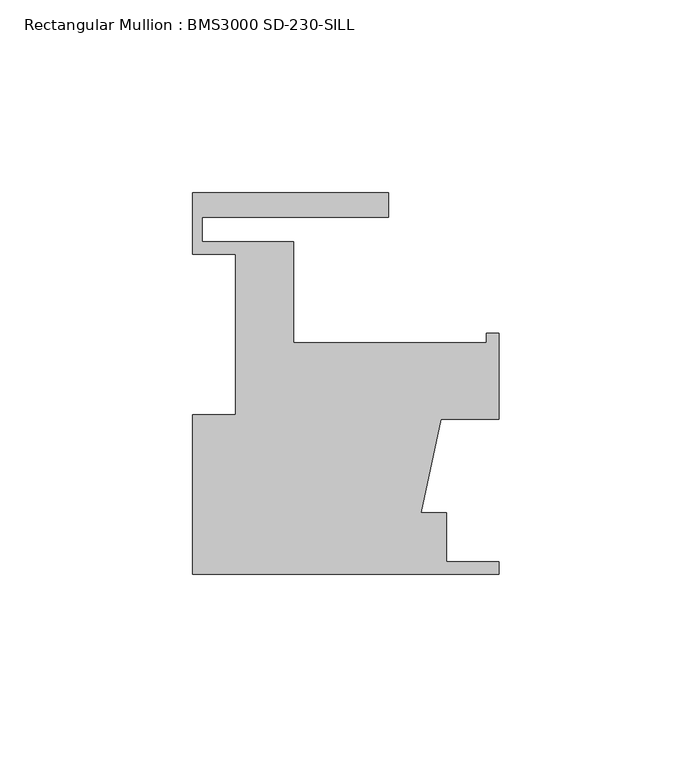
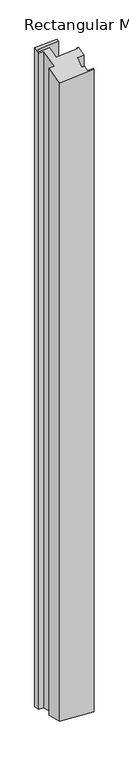
"""IFC4 building model written with IfcOpenShell, lengths in millimetres: member geometry, Rectangular Mullion : BMS3000 SD-230-SILL."""

import ifcopenshell
import ifcopenshell.guid

model = None  # the IFC model being written
_history = None  # IfcOwnerHistory: only IFC2X3 demands one
_inside = {}  # id of a spatial element -> (the spatial element, [elements in it])
_under = {}  # id of a project, library or spatial element -> (it, [spatial elements below it])
_declared = {}  # id of a project -> (the project, [libraries it declares])
_typed = {}  # id of a type object -> (the type object, [elements of that type])
_made_of = {}  # id of a material, layer set ... -> (it, [elements and type objects made of it])


def new_model(schema):
    """Start an empty IFC model of exactly this schema.

    Asked for "IFC4X3", IfcOpenShell would pick the latest addendum, in which some entities
    have other attributes; the version numbers below select the first issue.
    IFC2X3 requires an IfcOwnerHistory on every rooted entity: one is made here for all.
    """
    global model, _history
    if schema == "IFC4X3":
        model = ifcopenshell.file(schema_version=(4, 3, 0, 0))
    else:
        model = ifcopenshell.file(schema=schema)
    _inside.clear()
    _under.clear()
    _declared.clear()
    _typed.clear()
    _made_of.clear()
    _history = None
    if model.schema == "IFC2X3":
        org = make("IfcOrganization", Name="unknown")
        user = make(
            "IfcPersonAndOrganization",
            ThePerson=make("IfcPerson", FamilyName="unknown"),
            TheOrganization=org,
        )
        app = make(
            "IfcApplication",
            ApplicationDeveloper=org,
            Version="unknown",
            ApplicationFullName="unknown",
            ApplicationIdentifier="unknown",
        )
        _history = make(
            "IfcOwnerHistory",
            OwningUser=user,
            OwningApplication=app,
            ChangeAction="ADDED",
            CreationDate=0,
        )
    return model


def make(cls, **values):
    """One entity of the class cls with the attributes given. An attribute that is None is left unset."""
    return model.create_entity(
        cls, **{name: value for name, value in values.items() if value is not None}
    )


def rooted(cls, **values):
    """An entity with a GlobalId (a new one), such as an element, a storey or a relation."""
    return make(cls, GlobalId=ifcopenshell.guid.new(), OwnerHistory=_history, **values)


def si_unit(unit_type, name, prefix=None):
    """IfcSIUnit, for example si_unit("LENGTHUNIT", "METRE", prefix="MILLI")."""
    return make("IfcSIUnit", UnitType=unit_type, Prefix=prefix, Name=name)


def assignment(units):
    """IfcUnitAssignment: the units of a project."""
    return None if units is None else make("IfcUnitAssignment", Units=units)


def point(xyz):
    """IfcCartesianPoint."""
    return None if xyz is None else make("IfcCartesianPoint", Coordinates=xyz)


def direction(xyz):
    """IfcDirection."""
    return None if xyz is None else make("IfcDirection", DirectionRatios=xyz)


def frame(location, z_axis=None, x_axis=None):
    """IfcAxis2Placement3D, a coordinate frame: its origin and axes. An axis left out is left unset."""
    return make(
        "IfcAxis2Placement3D",
        Location=point(location),
        Axis=direction(z_axis),
        RefDirection=direction(x_axis),
    )


def origin():
    """The frame at (0, 0, 0) with its axes left unset."""
    return frame((0.0, 0.0, 0.0))


def place(relative_to, where):
    """IfcLocalPlacement: puts the frame where relative to a parent placement (None: the world)."""
    return make(
        "IfcLocalPlacement", PlacementRelTo=relative_to, RelativePlacement=where
    )


def context(
    kind, dimensions, precision=None, world=None, true_north=None, identifier=None
):
    """IfcGeometricRepresentationContext, for example the 3D "Model" context."""
    return make(
        "IfcGeometricRepresentationContext",
        ContextIdentifier=identifier,
        ContextType=kind,
        CoordinateSpaceDimension=dimensions,
        Precision=precision,
        WorldCoordinateSystem=world,
        TrueNorth=true_north,
    )


def project(units=None, contexts=None):
    """IfcProject with its units and contexts."""
    return rooted(
        "IfcProject",
        Name="project",
        RepresentationContexts=contexts,
        UnitsInContext=assignment(units),
    )


def spatial(cls, under=None, at=None, **own):
    """A site, building, storey or space (cls), placed at a placement, below another one or the project."""
    s = rooted(cls, ObjectPlacement=at, **own)
    if under is not None:
        _under.setdefault(under.id(), (under, []))[1].append(s)
    return s


def faces_of(points, faces, orient=None, outer=None):
    """IfcFace entities. A face is a list of loops; a loop is a list of indices into points, from 0.

    orient and outer hold one flag for each loop. By default every Orientation is true, the
    first loop of a face is its IfcFaceOuterBound and the others are IfcFaceBound.
    """
    made = []
    for i, loops in enumerate(faces):
        bounds = []
        for j, loop in enumerate(loops):
            is_outer = j == 0 if outer is None else outer[i][j]
            bounds.append(
                make(
                    "IfcFaceOuterBound" if is_outer else "IfcFaceBound",
                    Bound=make("IfcPolyLoop", Polygon=[points[k] for k in loop]),
                    Orientation=True if orient is None else orient[i][j],
                )
            )
        made.append(make("IfcFace", Bounds=bounds))
    return made


def faceted_brep(points, faces, orient=None, outer=None, voids=None):
    """IfcFacetedBrep: a solid bounded by flat faces; with voids (closed shells), ...WithVoids."""
    shared = [point(p) for p in points]
    hull = make("IfcClosedShell", CfsFaces=faces_of(shared, faces, orient, outer))
    if voids is None:
        return make("IfcFacetedBrep", Outer=hull)
    return make(
        "IfcFacetedBrepWithVoids",
        Outer=hull,
        Voids=[
            make(cls, CfsFaces=faces_of(shared, fs, o, b)) for cls, fs, o, b in voids
        ],
    )


def shape(context_of_items, identifier, shape_type, items):
    """IfcShapeRepresentation: the items that make up one representation, for example the "Body"."""
    return make(
        "IfcShapeRepresentation",
        ContextOfItems=context_of_items,
        RepresentationIdentifier=identifier,
        RepresentationType=shape_type,
        Items=items,
    )


def source(mapping_origin, context_of_items, identifier, shape_type, items):
    """IfcRepresentationMap: a shape defined once, which mapped items show again and again."""
    return make(
        "IfcRepresentationMap",
        MappingOrigin=mapping_origin,
        MappedRepresentation=shape(context_of_items, identifier, shape_type, items),
    )


def transform(
    local_origin,
    x_axis=None,
    y_axis=None,
    z_axis=None,
    scale=None,
    scale2=None,
    scale3=None,
    uniform=True,
):
    """IfcCartesianTransformationOperator3D, or its non-uniform kind. x_axis, y_axis, z_axis: its Axis1, 2, 3."""
    if uniform:
        return make(
            "IfcCartesianTransformationOperator3D",
            Axis1=direction(x_axis),
            Axis2=direction(y_axis),
            LocalOrigin=point(local_origin),
            Scale=scale,
            Axis3=direction(z_axis),
        )
    return make(
        "IfcCartesianTransformationOperator3DnonUniform",
        Axis1=direction(x_axis),
        Axis2=direction(y_axis),
        LocalOrigin=point(local_origin),
        Scale=scale,
        Axis3=direction(z_axis),
        Scale2=scale2,
        Scale3=scale3,
    )


def mapped(mapping_source, mapping_target):
    """IfcMappedItem: shows the shape of a source again, moved by a transform."""
    return make(
        "IfcMappedItem", MappingSource=mapping_source, MappingTarget=mapping_target
    )


def made_of(thing, what):
    """Note that an element or type object is made of a material, layer set ...; save() writes the relation."""
    if what is not None:
        _made_of.setdefault(what.id(), (what, []))[1].append(thing)
    return thing


def element(
    cls,
    number,
    at=None,
    inside=None,
    cuts=None,
    type_object=None,
    material=None,
    context=None,
    identifier="Body",
    shape_type=None,
    held_by="IfcProductDefinitionShape",
    body=None,
    shapes=None,
    **own,
):
    """One element of the class cls, such as IfcWall. Its Tag is "e" and its number.

    at: its placement. inside: the storey or other place that contains it. cuts: it is an
    opening in that element (IfcRelVoidsElement). A single representation is given by context,
    identifier, shape_type and body (its items); several are given by shapes. held_by: the class
    of the entity that holds the representations. save() writes the other relations.
    """
    e = rooted(cls, Tag="e%d" % number, ObjectPlacement=at, **own)
    if body is not None:
        shapes = [shape(context, identifier, shape_type, body)]
    if shapes is not None:
        e.Representation = make(held_by, Representations=shapes)
    if inside is not None:
        _inside.setdefault(inside.id(), (inside, []))[1].append(e)
    if cuts is not None:
        rooted(
            "IfcRelVoidsElement", RelatingBuildingElement=cuts, RelatedOpeningElement=e
        )
    if type_object is not None:
        _typed.setdefault(type_object.id(), (type_object, []))[1].append(e)
    return made_of(e, material)


def aggregate(whole, parts):
    """IfcRelAggregates: a whole, such as a stair, and the parts it consists of."""
    return rooted("IfcRelAggregates", RelatingObject=whole, RelatedObjects=parts)


def save(model, path):
    """Write the relations noted so far, then the file.

    IfcRelAggregates (storeys below a building ...), IfcRelContainedInSpatialStructure (elements
    in a storey), IfcRelDefinesByType, IfcRelAssociatesMaterial and IfcRelDeclares: one each for
    every whole, place, type object, material and project.
    """
    for whole, parts in _under.values():
        aggregate(whole, parts)
    for where, things in _inside.values():
        rooted(
            "IfcRelContainedInSpatialStructure",
            RelatedElements=things,
            RelatingStructure=where,
        )
    for kind, things in _typed.values():
        rooted("IfcRelDefinesByType", RelatedObjects=things, RelatingType=kind)
    for what, things in _made_of.values():
        rooted("IfcRelAssociatesMaterial", RelatedObjects=things, RelatingMaterial=what)
    for by, libraries in _declared.values():
        rooted("IfcRelDeclares", RelatingContext=by, RelatedDefinitions=libraries)
    model.write(path)


def rectangular_mullion_bms3000_sd_230_sill_506cbcf5(model_context):
    return source(origin(), model_context, "Body", "Brep", [
        faceted_brep([(0.0, -41.3742187, -10.7325429), (-79.375, -41.3742187, -16.0616298), (-79.375, -41.3742187, -1561.6992692), (0.0, -41.3742187, -1567.028356), (0.0, -38.1992187, -9.9089425), (0.0, -38.1992187, -1567.8519564), (-13.589, -38.1992187, -10.8212822), (-13.589, -38.1992187, -1566.9396168), (-13.589, -25.4992187, -7.5268805), (-13.589, -25.4992187, -1570.2340184), (-20.2104736, -25.4992187, -7.9714337), (-20.2104736, -25.4992187, -1569.7894653), (-15.0490902, -1.2168187, -1.3260122), (-15.0490902, -1.2168187, -1576.4348867), (0.0, -1.2168187, -0.3156449), (0.0, -1.2168187, -1577.4452541), (0.0, 21.0081813, 5.4495581), (0.0, 21.0081813, -1583.210457), (-3.175, 21.0081813, 5.2363946), (-3.175, 21.0081813, -1582.9972935), (-3.175, 18.6205813, 4.6170471), (-3.175, 18.6205813, -1582.377946), (-53.1876, 18.6205813, 1.259296), (-53.1876, 18.6205813, -1579.020195), (-53.1876, 44.7063813, 8.0259971), (-53.1876, 44.7063813, -1585.786896), (-76.9874, 44.7063813, 6.4281237), (-76.9874, 44.7063813, -1584.1890226), (-76.9874, 51.0563813, 8.0753245), (-76.9874, 51.0563813, -1585.8362234), (-28.575, 51.0563813, 11.3256411), (-28.575, 51.0563813, -1589.0865401), (-28.575, 57.4063813, 12.972842), (-28.575, 57.4063813, -1590.7337409), (-79.375, 57.4063813, 9.5622264), (-79.375, 57.4063813, -1587.3231253), (-79.375, 41.5313813, 5.4442243), (-79.375, 41.5313813, -1583.2051233), (-68.2498, 41.5313813, 6.1911491), (-68.2498, 41.5313813, -1583.9520481), (-68.2498, -0.0992187, -4.6078995), (-68.2498, -0.0992187, -1573.1529994), (-79.375, -0.0992187, -5.3548243), (-79.375, -0.0992187, -1572.4060746)], [[[0, 1, 2, 3]], [[4, 0, 3, 5]], [[6, 4, 5, 7]], [[8, 6, 7, 9]], [[10, 8, 9, 11]], [[12, 10, 11, 13]], [[14, 12, 13, 15]], [[16, 14, 15, 17]], [[18, 16, 17, 19]], [[20, 18, 19, 21]], [[22, 20, 21, 23]], [[24, 22, 23, 25]], [[26, 24, 25, 27]], [[28, 26, 27, 29]], [[30, 28, 29, 31]], [[32, 30, 31, 33]], [[34, 32, 33, 35]], [[36, 34, 35, 37]], [[38, 36, 37, 39]], [[40, 38, 39, 41]], [[42, 40, 41, 43]], [[1, 42, 43, 2]], [[1, 0, 4, 6, 8, 10, 12, 14, 16, 18, 20, 22, 24, 26, 28, 30, 32, 34, 36, 38, 40, 42]], [[2, 43, 41, 39, 37, 35, 33, 31, 29, 27, 25, 23, 21, 19, 17, 15, 13, 11, 9, 7, 5, 3]]]),
    ])


if __name__ == "__main__":
    model = new_model("IFC4")
    model_context = context("Model", 3, world=origin())
    ifc_project = project(units=[si_unit("LENGTHUNIT", "METRE", prefix="MILLI")], contexts=[model_context])
    site = spatial("IfcSite", under=ifc_project)
    building = spatial("IfcBuilding", under=site)
    placement = place(None, origin())
    rectangular_mullion_bms3000_sd_230_sill_shape = rectangular_mullion_bms3000_sd_230_sill_506cbcf5(model_context)
    element("IfcMember", 1, ObjectType="Rectangular Mullion : BMS3000 SD-230-SILL", at=placement, inside=building, context=model_context, shape_type="MappedRepresentation", body=[
        mapped(rectangular_mullion_bms3000_sd_230_sill_shape, transform((0.0, 0.0, 0.0), x_axis=(1.0, 0.0, 0.0), y_axis=(0.0, 1.0, 0.0), z_axis=(0.0, 0.0, 1.0))),
    ])
    save(model, "model.ifc")
